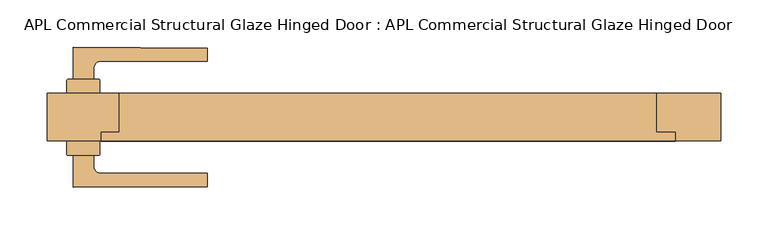
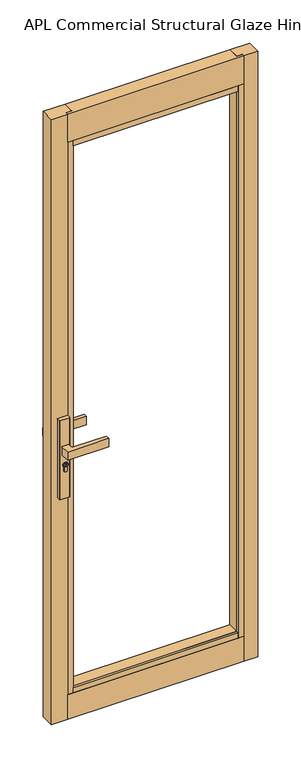
"""IFC4 building model written with IfcOpenShell, lengths in millimetres: door geometry, APL Commercial Structural Glaze Hinged Door : APL Commercial Structural Glaze Hinged Door."""

import ifcopenshell
import ifcopenshell.guid

model = None  # the IFC model being written
_history = None  # IfcOwnerHistory: only IFC2X3 demands one
_inside = {}  # id of a spatial element -> (the spatial element, [elements in it])
_under = {}  # id of a project, library or spatial element -> (it, [spatial elements below it])
_declared = {}  # id of a project -> (the project, [libraries it declares])
_typed = {}  # id of a type object -> (the type object, [elements of that type])
_made_of = {}  # id of a material, layer set ... -> (it, [elements and type objects made of it])


def new_model(schema):
    """Start an empty IFC model of exactly this schema.

    Asked for "IFC4X3", IfcOpenShell would pick the latest addendum, in which some entities
    have other attributes; the version numbers below select the first issue.
    IFC2X3 requires an IfcOwnerHistory on every rooted entity: one is made here for all.
    """
    global model, _history
    if schema == "IFC4X3":
        model = ifcopenshell.file(schema_version=(4, 3, 0, 0))
    else:
        model = ifcopenshell.file(schema=schema)
    _inside.clear()
    _under.clear()
    _declared.clear()
    _typed.clear()
    _made_of.clear()
    _history = None
    if model.schema == "IFC2X3":
        org = make("IfcOrganization", Name="unknown")
        user = make(
            "IfcPersonAndOrganization",
            ThePerson=make("IfcPerson", FamilyName="unknown"),
            TheOrganization=org,
        )
        app = make(
            "IfcApplication",
            ApplicationDeveloper=org,
            Version="unknown",
            ApplicationFullName="unknown",
            ApplicationIdentifier="unknown",
        )
        _history = make(
            "IfcOwnerHistory",
            OwningUser=user,
            OwningApplication=app,
            ChangeAction="ADDED",
            CreationDate=0,
        )
    return model


def make(cls, **values):
    """One entity of the class cls with the attributes given. An attribute that is None is left unset."""
    return model.create_entity(
        cls, **{name: value for name, value in values.items() if value is not None}
    )


def rooted(cls, **values):
    """An entity with a GlobalId (a new one), such as an element, a storey or a relation."""
    return make(cls, GlobalId=ifcopenshell.guid.new(), OwnerHistory=_history, **values)


def si_unit(unit_type, name, prefix=None):
    """IfcSIUnit, for example si_unit("LENGTHUNIT", "METRE", prefix="MILLI")."""
    return make("IfcSIUnit", UnitType=unit_type, Prefix=prefix, Name=name)


def assignment(units):
    """IfcUnitAssignment: the units of a project."""
    return None if units is None else make("IfcUnitAssignment", Units=units)


def point(xyz):
    """IfcCartesianPoint."""
    return None if xyz is None else make("IfcCartesianPoint", Coordinates=xyz)


def direction(xyz):
    """IfcDirection."""
    return None if xyz is None else make("IfcDirection", DirectionRatios=xyz)


def frame(location, z_axis=None, x_axis=None):
    """IfcAxis2Placement3D, a coordinate frame: its origin and axes. An axis left out is left unset."""
    return make(
        "IfcAxis2Placement3D",
        Location=point(location),
        Axis=direction(z_axis),
        RefDirection=direction(x_axis),
    )


def frame_2d(location, x_axis=None):
    """IfcAxis2Placement2D, a coordinate frame in the plane: its origin and x axis."""
    return make(
        "IfcAxis2Placement2D", Location=point(location), RefDirection=direction(x_axis)
    )


def origin():
    """The frame at (0, 0, 0) with its axes left unset."""
    return frame((0.0, 0.0, 0.0))


def origin_with_axes():
    """The frame at (0, 0, 0) with the z axis (0, 0, 1) and the x axis (1, 0, 0) written out."""
    return frame((0.0, 0.0, 0.0), z_axis=(0.0, 0.0, 1.0), x_axis=(1.0, 0.0, 0.0))


def place(relative_to, where):
    """IfcLocalPlacement: puts the frame where relative to a parent placement (None: the world)."""
    return make(
        "IfcLocalPlacement", PlacementRelTo=relative_to, RelativePlacement=where
    )


def context(
    kind, dimensions, precision=None, world=None, true_north=None, identifier=None
):
    """IfcGeometricRepresentationContext, for example the 3D "Model" context."""
    return make(
        "IfcGeometricRepresentationContext",
        ContextIdentifier=identifier,
        ContextType=kind,
        CoordinateSpaceDimension=dimensions,
        Precision=precision,
        WorldCoordinateSystem=world,
        TrueNorth=true_north,
    )


def project(units=None, contexts=None):
    """IfcProject with its units and contexts."""
    return rooted(
        "IfcProject",
        Name="project",
        RepresentationContexts=contexts,
        UnitsInContext=assignment(units),
    )


def spatial(cls, under=None, at=None, **own):
    """A site, building, storey or space (cls), placed at a placement, below another one or the project."""
    s = rooted(cls, ObjectPlacement=at, **own)
    if under is not None:
        _under.setdefault(under.id(), (under, []))[1].append(s)
    return s


def polyline(points):
    """IfcPolyline through the points."""
    return make("IfcPolyline", Points=[point(p) for p in points])


def circle_curve(where, radius):
    """IfcCircle in the frame where."""
    return make("IfcCircle", Position=where, Radius=radius)


def trimmed(basis, trim1, trim2, sense, master):
    """IfcTrimmedCurve: the piece of a basis curve between two trims."""
    return make(
        "IfcTrimmedCurve",
        BasisCurve=basis,
        Trim1=trim1,
        Trim2=trim2,
        SenseAgreement=sense,
        MasterRepresentation=master,
    )


def segment(curve, same_sense, transition):
    """IfcCompositeCurveSegment."""
    return make(
        "IfcCompositeCurveSegment",
        Transition=transition,
        SameSense=same_sense,
        ParentCurve=curve,
    )


def composite_curve(segments, self_intersect=None):
    """IfcCompositeCurve: segments joined end to end."""
    return make("IfcCompositeCurve", Segments=segments, SelfIntersect=self_intersect)


def outline(outer, holes=None, kind="AREA"):
    """IfcArbitraryClosedProfileDef: a profile drawn as a closed curve; with holes, ...WithVoids."""
    if holes is None:
        return make("IfcArbitraryClosedProfileDef", ProfileType=kind, OuterCurve=outer)
    return make(
        "IfcArbitraryProfileDefWithVoids",
        ProfileType=kind,
        OuterCurve=outer,
        InnerCurves=holes,
    )


def extrude(swept, where, along, depth):
    """IfcExtrudedAreaSolid: the profile swept, set in the frame where, extruded along a direction by depth."""
    return make(
        "IfcExtrudedAreaSolid",
        SweptArea=swept,
        Position=where,
        ExtrudedDirection=direction(along),
        Depth=depth,
    )


def faces_of(points, faces, orient=None, outer=None):
    """IfcFace entities. A face is a list of loops; a loop is a list of indices into points, from 0.

    orient and outer hold one flag for each loop. By default every Orientation is true, the
    first loop of a face is its IfcFaceOuterBound and the others are IfcFaceBound.
    """
    made = []
    for i, loops in enumerate(faces):
        bounds = []
        for j, loop in enumerate(loops):
            is_outer = j == 0 if outer is None else outer[i][j]
            bounds.append(
                make(
                    "IfcFaceOuterBound" if is_outer else "IfcFaceBound",
                    Bound=make("IfcPolyLoop", Polygon=[points[k] for k in loop]),
                    Orientation=True if orient is None else orient[i][j],
                )
            )
        made.append(make("IfcFace", Bounds=bounds))
    return made


def faceted_brep(points, faces, orient=None, outer=None, voids=None):
    """IfcFacetedBrep: a solid bounded by flat faces; with voids (closed shells), ...WithVoids."""
    shared = [point(p) for p in points]
    hull = make("IfcClosedShell", CfsFaces=faces_of(shared, faces, orient, outer))
    if voids is None:
        return make("IfcFacetedBrep", Outer=hull)
    return make(
        "IfcFacetedBrepWithVoids",
        Outer=hull,
        Voids=[
            make(cls, CfsFaces=faces_of(shared, fs, o, b)) for cls, fs, o, b in voids
        ],
    )


def shape(context_of_items, identifier, shape_type, items):
    """IfcShapeRepresentation: the items that make up one representation, for example the "Body"."""
    return make(
        "IfcShapeRepresentation",
        ContextOfItems=context_of_items,
        RepresentationIdentifier=identifier,
        RepresentationType=shape_type,
        Items=items,
    )


def source(mapping_origin, context_of_items, identifier, shape_type, items):
    """IfcRepresentationMap: a shape defined once, which mapped items show again and again."""
    return make(
        "IfcRepresentationMap",
        MappingOrigin=mapping_origin,
        MappedRepresentation=shape(context_of_items, identifier, shape_type, items),
    )


def transform(
    local_origin,
    x_axis=None,
    y_axis=None,
    z_axis=None,
    scale=None,
    scale2=None,
    scale3=None,
    uniform=True,
):
    """IfcCartesianTransformationOperator3D, or its non-uniform kind. x_axis, y_axis, z_axis: its Axis1, 2, 3."""
    if uniform:
        return make(
            "IfcCartesianTransformationOperator3D",
            Axis1=direction(x_axis),
            Axis2=direction(y_axis),
            LocalOrigin=point(local_origin),
            Scale=scale,
            Axis3=direction(z_axis),
        )
    return make(
        "IfcCartesianTransformationOperator3DnonUniform",
        Axis1=direction(x_axis),
        Axis2=direction(y_axis),
        LocalOrigin=point(local_origin),
        Scale=scale,
        Axis3=direction(z_axis),
        Scale2=scale2,
        Scale3=scale3,
    )


def mapped(mapping_source, mapping_target):
    """IfcMappedItem: shows the shape of a source again, moved by a transform."""
    return make(
        "IfcMappedItem", MappingSource=mapping_source, MappingTarget=mapping_target
    )


def made_of(thing, what):
    """Note that an element or type object is made of a material, layer set ...; save() writes the relation."""
    if what is not None:
        _made_of.setdefault(what.id(), (what, []))[1].append(thing)
    return thing


def element(
    cls,
    number,
    at=None,
    inside=None,
    cuts=None,
    type_object=None,
    material=None,
    context=None,
    identifier="Body",
    shape_type=None,
    held_by="IfcProductDefinitionShape",
    body=None,
    shapes=None,
    **own,
):
    """One element of the class cls, such as IfcWall. Its Tag is "e" and its number.

    at: its placement. inside: the storey or other place that contains it. cuts: it is an
    opening in that element (IfcRelVoidsElement). A single representation is given by context,
    identifier, shape_type and body (its items); several are given by shapes. held_by: the class
    of the entity that holds the representations. save() writes the other relations.
    """
    e = rooted(cls, Tag="e%d" % number, ObjectPlacement=at, **own)
    if body is not None:
        shapes = [shape(context, identifier, shape_type, body)]
    if shapes is not None:
        e.Representation = make(held_by, Representations=shapes)
    if inside is not None:
        _inside.setdefault(inside.id(), (inside, []))[1].append(e)
    if cuts is not None:
        rooted(
            "IfcRelVoidsElement", RelatingBuildingElement=cuts, RelatedOpeningElement=e
        )
    if type_object is not None:
        _typed.setdefault(type_object.id(), (type_object, []))[1].append(e)
    return made_of(e, material)


def aggregate(whole, parts):
    """IfcRelAggregates: a whole, such as a stair, and the parts it consists of."""
    return rooted("IfcRelAggregates", RelatingObject=whole, RelatedObjects=parts)


def save(model, path):
    """Write the relations noted so far, then the file.

    IfcRelAggregates (storeys below a building ...), IfcRelContainedInSpatialStructure (elements
    in a storey), IfcRelDefinesByType, IfcRelAssociatesMaterial and IfcRelDeclares: one each for
    every whole, place, type object, material and project.
    """
    for whole, parts in _under.values():
        aggregate(whole, parts)
    for where, things in _inside.values():
        rooted(
            "IfcRelContainedInSpatialStructure",
            RelatedElements=things,
            RelatingStructure=where,
        )
    for kind, things in _typed.values():
        rooted("IfcRelDefinesByType", RelatedObjects=things, RelatingType=kind)
    for what, things in _made_of.values():
        rooted("IfcRelAssociatesMaterial", RelatedObjects=things, RelatingMaterial=what)
    for by, libraries in _declared.values():
        rooted("IfcRelDeclares", RelatingContext=by, RelatedDefinitions=libraries)
    model.write(path)


def apl_commercial_structural_glaze_hinged_door_apl_commercial_765c0958(model_context):
    return source(origin(), model_context, "Body", "SolidModel", [
        extrude(outline(composite_curve([segment(trimmed(circle_curve(frame_2d((945.687184, -321.6549207)), 5.9005564), [point((945.687184, -315.7543643))], [point((945.687184, -327.5554771))], False, "CARTESIAN"), True, "CONTINUOUS"), segment(trimmed(circle_curve(frame_2d((945.687184, -321.6549207)), 5.9005564), [point((945.687184, -327.5554771))], [point((945.687184, -315.7543643))], False, "CARTESIAN"), True, "CONTINUOUS")], self_intersect=False), holes=[polyline([(949.7292167, -322.718992), (949.7292167, -320.6710525), (948.9292167, -320.6710525), (948.3483344, -321.718992), (947.1634303, -321.718992), (946.3431864, -320.8987481), (944.6002002, -320.8987481), (944.0258593, -321.718992), (941.7685105, -321.718992), (941.7685105, -322.718992), (944.5464263, -322.718992), (945.1207673, -321.8987481), (945.9289729, -321.8987481), (946.7492167, -322.718992), (949.7292167, -322.718992)])]), frame((0.0, 51.3500753, 0.0), z_axis=(0.0, 1.0, 0.0), x_axis=(0.0, 0.0, 1.0)), (0.0, 0.0, 1.0), 4.423715),
        extrude(outline(composite_curve([segment(trimmed(circle_curve(frame_2d((-338.3034394, 50.1000748)), 1.0), [point((-339.3034394, 50.1000748))], [point((-338.3034394, 51.1000748))], False, "CARTESIAN"), True, "CONTINUOUS"), segment(polyline([(-338.3034394, 51.1000748), (-305.3034396, 51.1000748)]), True, "CONTINUOUS"), segment(trimmed(circle_curve(frame_2d((-305.3034396, 50.1000748)), 1.0), [point((-305.3034396, 51.1000748))], [point((-304.3034396, 50.1000748))], False, "CARTESIAN"), True, "CONTINUOUS"), segment(polyline([(-304.3034396, 50.1000748), (-304.3034396, 36.1000751), (-339.3034394, 36.1000751), (-339.3034394, 50.1000748)]), True, "CONTINUOUS")], self_intersect=False)), frame((0.0, 0.0, 822.4734334), z_axis=(0.0, 0.0, 1.0), x_axis=(1.0, 0.0, 0.0)), (0.0, 0.0, 1.0), 287.6450734),
        extrude(outline(composite_curve([segment(polyline([(-339.3034394, -27.8999345), (-339.3034394, -13.8999349), (-304.3034396, -13.8999349), (-304.3034396, -27.8999345)]), True, "CONTINUOUS"), segment(trimmed(circle_curve(frame_2d((-305.3034396, -27.8999345)), 1.0), [point((-304.3034396, -27.8999345))], [point((-305.3034396, -28.8999345))], False, "CARTESIAN"), True, "CONTINUOUS"), segment(polyline([(-305.3034396, -28.8999345), (-338.3034394, -28.8999345)]), True, "CONTINUOUS"), segment(trimmed(circle_curve(frame_2d((-338.3034394, -27.8999345)), 1.0), [point((-338.3034394, -28.8999345))], [point((-339.3034394, -27.8999345))], False, "CARTESIAN"), True, "CONTINUOUS")], self_intersect=False)), frame((0.0, 0.0, 822.4734334), z_axis=(0.0, 0.0, 1.0), x_axis=(1.0, 0.0, 0.0)), (0.0, 0.0, 1.0), 287.6450734),
        extrude(outline(composite_curve([segment(trimmed(circle_curve(frame_2d((945.687184, -321.6549207)), 8.4005564), [point((939.648662, -315.8149207))], [point((939.2521745, -327.0549207))], False, "CARTESIAN"), True, "CONTINUOUS"), segment(polyline([(939.2521745, -327.0549207), (926.2077404, -327.0549207)]), True, "CONTINUOUS"), segment(trimmed(circle_curve(frame_2d((926.2077404, -321.4349207)), 5.62), [point((926.2077404, -327.0549207))], [point((926.2077404, -315.8149207))], False, "CARTESIAN"), True, "CONTINUOUS"), segment(polyline([(926.2077404, -315.8149207), (939.648662, -315.8149207)]), True, "CONTINUOUS")], self_intersect=False), holes=[composite_curve([segment(trimmed(circle_curve(frame_2d((945.687184, -321.6549207)), 6.4005564), [point((945.687184, -315.2543643))], [point((945.687184, -328.0554771))], True, "CARTESIAN"), True, "CONTINUOUS"), segment(trimmed(circle_curve(frame_2d((945.687184, -321.6549207)), 6.4005564), [point((945.687184, -328.0554771))], [point((945.687184, -315.2543643))], True, "CARTESIAN"), True, "CONTINUOUS")], self_intersect=False)]), frame((0.0, 51.3500753, 0.0), z_axis=(0.0, 1.0, 0.0), x_axis=(0.0, 0.0, 1.0)), (0.0, 0.0, 1.0), 3.0593403),
        extrude(outline(composite_curve([segment(trimmed(circle_curve(frame_2d((945.687184, -321.6549207)), 6.4005564), [point((945.687184, -328.0554771))], [point((945.687184, -315.2543643))], False, "CARTESIAN"), True, "CONTINUOUS"), segment(trimmed(circle_curve(frame_2d((945.687184, -321.6549207)), 6.4005564), [point((945.687184, -315.2543643))], [point((945.687184, -328.0554771))], False, "CARTESIAN"), True, "CONTINUOUS")], self_intersect=False), holes=[composite_curve([segment(trimmed(circle_curve(frame_2d((945.687184, -321.6549207)), 5.9005564), [point((945.687184, -327.5554771))], [point((945.687184, -315.7543643))], True, "CARTESIAN"), True, "CONTINUOUS"), segment(trimmed(circle_curve(frame_2d((945.687184, -321.6549207)), 5.9005564), [point((945.687184, -315.7543643))], [point((945.687184, -327.5554771))], True, "CARTESIAN"), True, "CONTINUOUS")], self_intersect=False)]), frame((0.0, 51.3500753, 0.0), z_axis=(0.0, 1.0, 0.0), x_axis=(0.0, 0.0, 1.0)), (0.0, 0.0, 1.0), 3.0593403),
        extrude(outline(composite_curve([segment(polyline([(939.1595834, -327.2549207), (926.2077404, -327.2549207)]), True, "CONTINUOUS"), segment(trimmed(circle_curve(frame_2d((926.2077404, -321.4349207)), 5.82), [point((926.2077404, -327.2549207))], [point((926.2077404, -315.6149207))], False, "CARTESIAN"), True, "CONTINUOUS"), segment(polyline([(926.2077404, -315.6149207), (939.564442, -315.6149207)]), True, "CONTINUOUS"), segment(trimmed(circle_curve(frame_2d((945.687184, -321.6549207)), 8.6005564), [point((939.564442, -315.6149207))], [point((939.1595834, -327.2549207))], False, "CARTESIAN"), True, "CONTINUOUS")], self_intersect=False), holes=[composite_curve([segment(polyline([(926.2077404, -327.0549207), (939.2521745, -327.0549207)]), True, "CONTINUOUS"), segment(trimmed(circle_curve(frame_2d((945.687184, -321.6549207)), 8.4005564), [point((939.2521745, -327.0549207))], [point((939.648662, -315.8149207))], True, "CARTESIAN"), True, "CONTINUOUS"), segment(polyline([(939.648662, -315.8149207), (926.2077404, -315.8149207)]), True, "CONTINUOUS"), segment(trimmed(circle_curve(frame_2d((926.2077404, -321.4349207)), 5.62), [point((926.2077404, -315.8149207))], [point((926.2077404, -327.0549207))], True, "CARTESIAN"), True, "CONTINUOUS")], self_intersect=False)]), frame((0.0, 51.3500753, 0.0), z_axis=(0.0, 1.0, 0.0), x_axis=(0.0, 0.0, 1.0)), (0.0, 0.0, 1.0), 3.0593403),
        extrude(outline(composite_curve([segment(trimmed(circle_curve(frame_2d((-265.8034391, -851.6499249)), 939.0), [point((-332.8034395, 84.9567161))], [point((-190.8034341, 84.3500747))], False, "CARTESIAN"), True, "CONTINUOUS"), segment(polyline([(-190.8034341, 84.3500747), (-190.8034341, 70.3500738), (-303.2989048, 70.3500738)]), True, "CONTINUOUS"), segment(trimmed(circle_curve(frame_2d((-303.3034395, 62.8500751)), 7.5), [point((-303.2989048, 70.3500738))], [point((-310.8034395, 62.8500751))], True, "CARTESIAN"), True, "CONTINUOUS"), segment(polyline([(-310.8034395, 62.8500751), (-310.8034395, 51.3500753), (-332.8034395, 51.3500753), (-332.8034395, 84.9567161)]), True, "CONTINUOUS")], self_intersect=False)), frame((0.0, 0.0, 985.1796291), z_axis=(0.0, 0.0, 1.0), x_axis=(1.0, 0.0, 0.0)), (0.0, 0.0, 1.0), 29.6407418),
        extrude(outline(composite_curve([segment(trimmed(circle_curve(frame_2d((945.687184, -321.6549207)), 5.9005564), [point((945.687184, -315.7543643))], [point((945.687184, -327.5554771))], False, "CARTESIAN"), True, "CONTINUOUS"), segment(trimmed(circle_curve(frame_2d((945.687184, -321.6549207)), 5.9005564), [point((945.687184, -327.5554771))], [point((945.687184, -315.7543643))], False, "CARTESIAN"), True, "CONTINUOUS")], self_intersect=False), holes=[polyline([(949.7292167, -322.718992), (949.7292167, -320.6710525), (948.9292167, -320.6710525), (948.3483344, -321.718992), (947.1634303, -321.718992), (946.3431864, -320.8987481), (944.6002002, -320.8987481), (944.0258593, -321.718992), (941.7685105, -321.718992), (941.7685105, -322.718992), (944.5464263, -322.718992), (945.1207673, -321.8987481), (945.9289729, -321.8987481), (946.7492167, -322.718992), (949.7292167, -322.718992)])]), frame((0.0, -33.57365, 0.0), z_axis=(0.0, 1.0, 0.0), x_axis=(0.0, 0.0, 1.0)), (0.0, 0.0, 1.0), 4.423715),
        extrude(outline(composite_curve([segment(trimmed(circle_curve(frame_2d((945.687184, -321.6549207)), 8.4005564), [point((939.648662, -315.8149207))], [point((939.2521745, -327.0549207))], False, "CARTESIAN"), True, "CONTINUOUS"), segment(polyline([(939.2521745, -327.0549207), (926.2077404, -327.0549207)]), True, "CONTINUOUS"), segment(trimmed(circle_curve(frame_2d((926.2077404, -321.4349207)), 5.62), [point((926.2077404, -327.0549207))], [point((926.2077404, -315.8149207))], False, "CARTESIAN"), True, "CONTINUOUS"), segment(polyline([(926.2077404, -315.8149207), (939.648662, -315.8149207)]), True, "CONTINUOUS")], self_intersect=False), holes=[composite_curve([segment(trimmed(circle_curve(frame_2d((945.687184, -321.6549207)), 6.4005564), [point((945.687184, -315.2543643))], [point((945.687184, -328.0554771))], True, "CARTESIAN"), True, "CONTINUOUS"), segment(trimmed(circle_curve(frame_2d((945.687184, -321.6549207)), 6.4005564), [point((945.687184, -328.0554771))], [point((945.687184, -315.2543643))], True, "CARTESIAN"), True, "CONTINUOUS")], self_intersect=False)]), frame((0.0, -32.2092753, 0.0), z_axis=(0.0, 1.0, 0.0), x_axis=(0.0, 0.0, 1.0)), (0.0, 0.0, 1.0), 3.0593403),
        extrude(outline(composite_curve([segment(trimmed(circle_curve(frame_2d((945.687184, -321.6549207)), 6.4005564), [point((945.687184, -328.0554771))], [point((945.687184, -315.2543643))], False, "CARTESIAN"), True, "CONTINUOUS"), segment(trimmed(circle_curve(frame_2d((945.687184, -321.6549207)), 6.4005564), [point((945.687184, -315.2543643))], [point((945.687184, -328.0554771))], False, "CARTESIAN"), True, "CONTINUOUS")], self_intersect=False), holes=[composite_curve([segment(trimmed(circle_curve(frame_2d((945.687184, -321.6549207)), 5.9005564), [point((945.687184, -327.5554771))], [point((945.687184, -315.7543643))], True, "CARTESIAN"), True, "CONTINUOUS"), segment(trimmed(circle_curve(frame_2d((945.687184, -321.6549207)), 5.9005564), [point((945.687184, -315.7543643))], [point((945.687184, -327.5554771))], True, "CARTESIAN"), True, "CONTINUOUS")], self_intersect=False)]), frame((0.0, -32.2092753, 0.0), z_axis=(0.0, 1.0, 0.0), x_axis=(0.0, 0.0, 1.0)), (0.0, 0.0, 1.0), 3.0593403),
        extrude(outline(composite_curve([segment(polyline([(939.1595834, -327.2549207), (926.2077404, -327.2549207)]), True, "CONTINUOUS"), segment(trimmed(circle_curve(frame_2d((926.2077404, -321.4349207)), 5.82), [point((926.2077404, -327.2549207))], [point((926.2077404, -315.6149207))], False, "CARTESIAN"), True, "CONTINUOUS"), segment(polyline([(926.2077404, -315.6149207), (939.564442, -315.6149207)]), True, "CONTINUOUS"), segment(trimmed(circle_curve(frame_2d((945.687184, -321.6549207)), 8.6005564), [point((939.564442, -315.6149207))], [point((939.1595834, -327.2549207))], False, "CARTESIAN"), True, "CONTINUOUS")], self_intersect=False), holes=[composite_curve([segment(polyline([(926.2077404, -327.0549207), (939.2521745, -327.0549207)]), True, "CONTINUOUS"), segment(trimmed(circle_curve(frame_2d((945.687184, -321.6549207)), 8.4005564), [point((939.2521745, -327.0549207))], [point((939.648662, -315.8149207))], True, "CARTESIAN"), True, "CONTINUOUS"), segment(polyline([(939.648662, -315.8149207), (926.2077404, -315.8149207)]), True, "CONTINUOUS"), segment(trimmed(circle_curve(frame_2d((926.2077404, -321.4349207)), 5.62), [point((926.2077404, -315.8149207))], [point((926.2077404, -327.0549207))], True, "CARTESIAN"), True, "CONTINUOUS")], self_intersect=False)]), frame((0.0, -32.2092753, 0.0), z_axis=(0.0, 1.0, 0.0), x_axis=(0.0, 0.0, 1.0)), (0.0, 0.0, 1.0), 3.0593403),
        extrude(outline(composite_curve([segment(polyline([(-332.8034395, -62.7565759), (-332.8034395, -29.149935), (-310.8034395, -29.149935), (-310.8034395, -40.6499349)]), True, "CONTINUOUS"), segment(trimmed(circle_curve(frame_2d((-303.3034395, -40.6499349)), 7.5), [point((-310.8034395, -40.6499349))], [point((-303.2989048, -48.1499335))], True, "CARTESIAN"), True, "CONTINUOUS"), segment(polyline([(-303.2989048, -48.1499335), (-190.8034341, -48.1499335), (-190.8034341, -62.1499345)]), True, "CONTINUOUS"), segment(trimmed(circle_curve(frame_2d((-265.8034391, 873.8500651)), 939.0), [point((-190.8034341, -62.1499345))], [point((-332.8034395, -62.7565759))], False, "CARTESIAN"), True, "CONTINUOUS")], self_intersect=False)), frame((0.0, 0.0, 985.1796291), z_axis=(0.0, 0.0, 1.0), x_axis=(1.0, 0.0, 0.0)), (0.0, 0.0, 1.0), 29.6407418),
        faceted_brep([(-303.0034046, -4.8994771, 2104.974908), (-303.0034046, -13.8999674, 2104.974908), (-303.0034046, -13.8999674, 2207.0221188), (-303.0034046, -4.8994771, 2207.0221188), (304.003465, -4.8994771, 2104.974908), (304.003465, -4.8994771, 2207.0221188), (304.003465, -13.8999674, 2207.0221188), (304.003465, -13.8999674, 2104.974908), (-284.0034026, -4.8994771, 2207.0221188), (-284.0034026, -4.8994771, 2104.974908), (283.9695026, -4.8994771, 2104.974908), (283.9695026, -4.8994771, 2207.0221188), (283.9695026, 36.1000651, 2207.0221188), (-284.0034026, 36.1000651, 2207.0221188), (-284.0034026, 36.1000651, 2085.9720544), (-284.0034026, -4.8994771, 2085.9720544), (283.9695026, 36.1000651, 2085.9720544), (283.9695026, -4.8994771, 2085.9720544)], [[[0, 1, 2, 3]], [[4, 5, 6, 7]], [[3, 8, 9, 0]], [[4, 10, 11, 5]], [[0, 9, 10, 4, 7, 1]], [[1, 7, 6, 2]], [[2, 6, 5, 11, 12, 13, 8, 3]], [[14, 15, 9, 8, 13]], [[16, 12, 11, 10, 17]], [[13, 12, 16, 14]], [[14, 16, 17, 15]], [[17, 10, 9, 15]]]),
        faceted_brep([(-303.0034046, -13.8999349, 90.9821405), (-303.0034046, -4.8994771, 90.9821405), (-303.0034046, -4.8994771, 0.0), (-303.0034046, -13.8999349, 0.0), (304.003465, -13.8999349, 90.9821405), (304.003465, -13.8999349, 0.0), (304.003465, -4.8994771, 0.0), (304.003465, -4.8994771, 90.9821405), (283.9695026, -4.8994771, 90.9821405), (-284.0034026, -4.8994771, 90.9821405), (-284.0034026, -4.8994771, 0.0), (-284.0034026, 36.1000651, 0.0), (283.9695026, 36.1000651, 0.0), (283.9695026, -4.8994771, 0.0), (-284.0034026, 36.1000651, 109.9821405), (-284.0034026, -4.8994771, 109.9821405), (283.9695026, 36.1000651, 109.9821405), (283.9695026, -4.8994771, 109.9821405)], [[[0, 1, 2, 3]], [[4, 5, 6, 7]], [[0, 4, 7, 8, 9, 1]], [[3, 5, 4, 0]], [[2, 10, 11, 12, 13, 6, 5, 3]], [[1, 9, 10, 2]], [[6, 13, 8, 7]], [[14, 11, 10, 9, 15]], [[16, 17, 8, 13, 12]], [[14, 16, 12, 11]], [[15, 17, 16, 14]], [[15, 9, 8, 17]]]),
        extrude(outline(polyline([(283.9695026, -4.8994771), (304.003465, -4.8994771), (304.003465, -13.8999674), (283.9695026, -13.8999674), (283.9695026, -4.8994771)])), frame((0.0, 0.0, 90.9821405), z_axis=(0.0, 0.0, 1.0), x_axis=(1.0, 0.0, 0.0)), (0.0, 0.0, 1.0), 2013.9927675),
        extrude(outline(polyline([(-284.0034026, 36.1000651), (-284.0034026, -4.8994771), (-303.0034046, -4.8994771), (-303.0034046, -13.8999349), (-360.0034344, -13.8999349), (-360.0034344, 36.1000651), (-284.0034026, 36.1000651)])), origin_with_axes(), (0.0, 0.0, 1.0), 2207.0221188),
        extrude(outline(polyline([(-284.0034026, -4.8994771), (283.9695026, -4.8994771), (283.9695026, -13.8999674), (-284.0034026, -13.8999674), (-284.0034026, -4.8994771)])), frame((0.0, 0.0, 2085.9720544), z_axis=(0.0, 0.0, 1.0), x_axis=(1.0, 0.0, 0.0)), (0.0, 0.0, 1.0), 19.0028536),
        extrude(outline(polyline([(-284.0034026, -4.8994771), (283.9695026, -4.8994771), (283.9695026, -13.8999674), (-284.0034026, -13.8999674), (-284.0034026, -4.8994771)])), frame((0.0, 0.0, 2085.9720544), z_axis=(0.0, 0.0, 1.0), x_axis=(1.0, 0.0, 0.0)), (0.0, 0.0, 1.0), 19.0028536),
        extrude(outline(polyline([(-284.0034026, -4.8994771), (283.9695026, -4.8994771), (283.9695026, -13.8999349), (-284.0034026, -13.8999349), (-284.0034026, -4.8994771)])), frame((0.0, 0.0, 90.9821405), z_axis=(0.0, 0.0, 1.0), x_axis=(1.0, 0.0, 0.0)), (0.0, 0.0, 1.0), 19.0),
        extrude(outline(polyline([(283.9695026, -4.8994771), (304.003465, -4.8994771), (304.003465, -13.8999674), (283.9695026, -13.8999674), (283.9695026, -4.8994771)])), frame((0.0, 0.0, 90.9821405), z_axis=(0.0, 0.0, 1.0), x_axis=(1.0, 0.0, 0.0)), (0.0, 0.0, 1.0), 2013.9927675),
        extrude(outline(polyline([(-284.0034026, -4.8994771), (-284.0034026, -13.8999349), (-303.0034046, -13.8999349), (-303.0034046, -4.8994771), (-284.0034026, -4.8994771)])), frame((0.0, 0.0, 90.9821405), z_axis=(0.0, 0.0, 1.0), x_axis=(1.0, 0.0, 0.0)), (0.0, 0.0, 1.0), 2013.9927675),
        extrude(outline(polyline([(283.9695026, 36.1000651), (352.0034046, 36.1000651), (352.0034046, -13.8999674), (304.003465, -13.8999674), (304.003465, -4.8994771), (283.9695026, -4.8994771), (283.9695026, 36.1000651)])), origin_with_axes(), (0.0, 0.0, 1.0), 2207.0221188),
    ])


if __name__ == "__main__":
    model = new_model("IFC4")
    model_context = context("Model", 3, world=origin())
    ifc_project = project(units=[si_unit("LENGTHUNIT", "METRE", prefix="MILLI")], contexts=[model_context])
    site = spatial("IfcSite", under=ifc_project)
    building = spatial("IfcBuilding", under=site)
    placement = place(None, origin())
    apl_commercial_structural_glaze_hinged_door_apl_commercial_shape = apl_commercial_structural_glaze_hinged_door_apl_commercial_765c0958(model_context)
    element("IfcDoor", 1, ObjectType="APL Commercial Structural Glaze Hinged Door : APL Commercial Structural Glaze Hinged Door", at=placement, inside=building, context=model_context, shape_type="MappedRepresentation", body=[
        mapped(apl_commercial_structural_glaze_hinged_door_apl_commercial_shape, transform((0.0, 0.0, 0.0), x_axis=(1.0, 0.0, 0.0), y_axis=(0.0, 1.0, 0.0), z_axis=(0.0, 0.0, 1.0))),
    ])
    save(model, "model.ifc")
